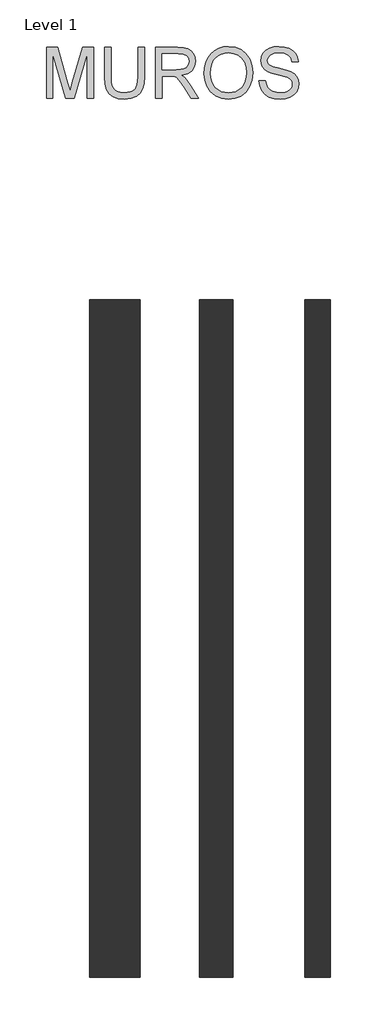
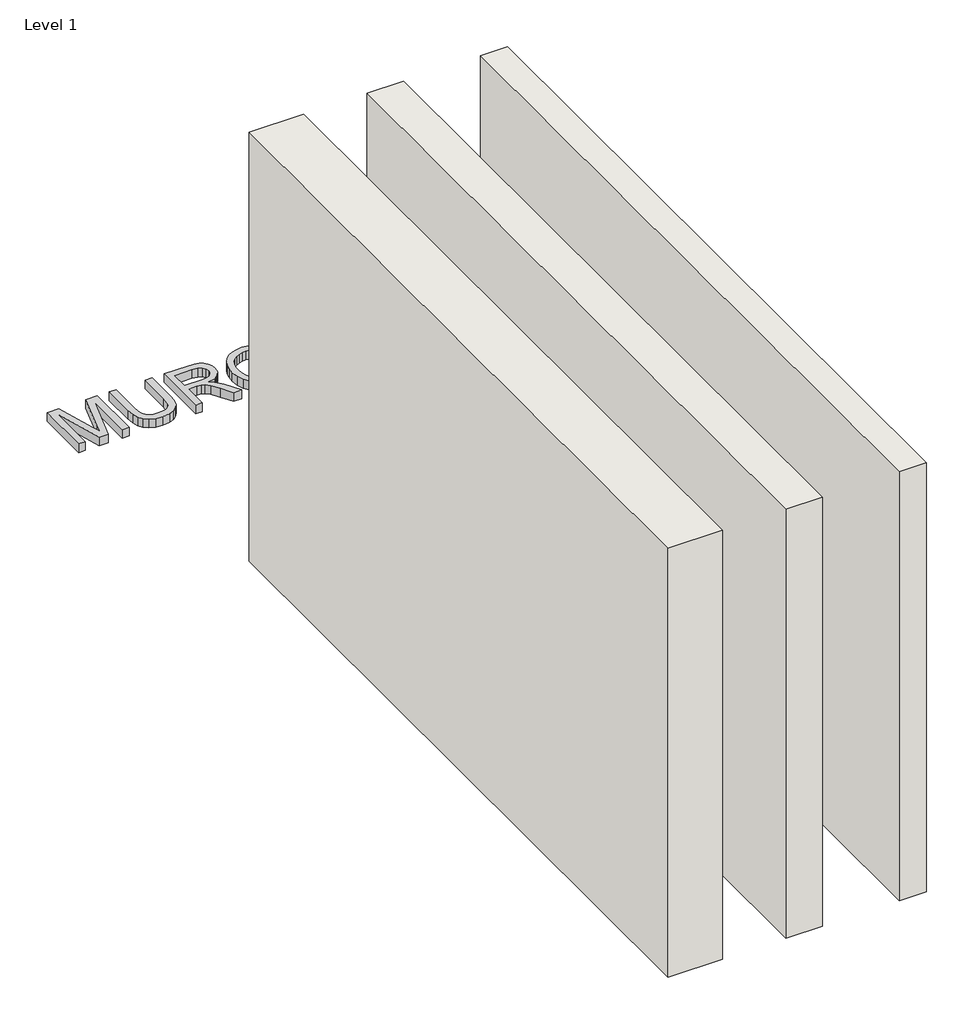
# One storey: 3 walls, 1 proxy.
"""IFC4 building model written with IfcOpenShell, lengths in millimetres."""

from ifc_helpers import new_model, si_unit, origin, origin_with_axes, place, context, project, spatial, polyline, outline, extrude, element, save

model = new_model("IFC4")

# Units and contexts
model_context = context("Model", 3, world=origin())
ifc_project = project(units=[si_unit("LENGTHUNIT", "METRE", prefix="MILLI")], contexts=[model_context])

# Site, building, storey
site = spatial("IfcSite", under=ifc_project)
building = spatial("IfcBuilding", under=site)
storey = spatial("IfcBuildingStorey", under=building, Name="Level 1", Elevation=0.0)

# Proxy
placement = place(None, origin())
element("IfcBuildingElementProxy", 1, Name="Generic Models", at=placement, inside=storey, context=model_context, shape_type="SweptSolid", body=[
    extrude(outline(polyline([(705.7178167, 4943.9931302), (705.7178167, 5245.3620607), (770.5386243, 5245.3620607), (832.1956467, 5032.9469966), (844.6300581, 4988.580428), (858.0945391, 5036.6258166), (918.7214919, 5245.3620607), (983.5422995, 5245.3620607), (983.5422995, 4943.9931302), (945.8711832, 4943.9931302), (945.8711832, 5207.6909443), (870.1610686, 4943.9931302), (819.0990476, 4943.9931302), (743.388933, 5207.6909443), (743.388933, 4943.9931302), (705.7178167, 4943.9931302)])), origin_with_axes(), (0.0, 0.0, 1.0), 50.0),
    extrude(outline(polyline([(1247.2401136, 5245.3620607), (1284.9112299, 5245.3620607), (1284.9112299, 5071.5010297), (1282.3544501, 5030.7856899), (1274.6841105, 4999.4329469), (1260.3551067, 4975.2447057), (1237.8223345, 4956.0228714), (1207.0306115, 4943.4688984), (1167.9247555, 4939.2842407), (1129.674225, 4942.9262724), (1099.0940342, 4953.8523677), (1076.1749859, 4971.6854474), (1060.9078831, 4996.0484325), (1052.3270355, 5028.7255507), (1049.466753, 5071.5010297), (1049.466753, 5245.3620607), (1087.1378693, 5245.3620607), (1087.1378693, 5072.8254049), (1088.9956734, 5038.9710643), (1094.5690856, 5015.3990255), (1104.6674464, 4999.0742619), (1120.1000961, 4986.9617472), (1140.2232412, 4979.4569545), (1164.3930883, 4976.955357), (1202.7079981, 4981.9033698), (1217.0507974, 4988.0883858), (1228.1838263, 4996.7474083), (1236.520952, 5008.9243024), (1242.4760418, 5025.6629331), (1247.2401136, 5072.8254049), (1247.2401136, 5245.3620607)])), origin_with_axes(), (0.0, 0.0, 1.0), 50.0),
    extrude(outline(polyline([(1350.8356835, 4943.9931302), (1350.8356835, 5245.3620607), (1480.6980278, 5245.3620607), (1515.600832, 5243.3295126), (1540.9938868, 5237.2318686), (1559.5535334, 5225.9746795), (1573.9561135, 5208.4634965), (1583.1991487, 5186.7492618), (1586.2801604, 5162.8829173), (1581.1757977, 5133.1948403), (1565.8627096, 5108.5835348), (1554.2629305, 5098.554152), (1539.8810437, 5090.538923), (1502.7709475, 5080.5509268), (1524.1816796, 5064.4376954), (1554.7158852, 5025.6629331), (1604.9685657, 4943.9931302), (1561.1906083, 4943.9931302), (1521.9743876, 5006.459493), (1493.647474, 5047.8094292), (1473.745058, 5067.3439632), (1455.8292049, 5074.5176621), (1433.9770144, 5075.8420373), (1388.5067998, 5075.8420373), (1388.5067998, 4943.9931302), (1350.8356835, 4943.9931302)]), holes=[polyline([(1388.5067998, 5113.5131536), (1472.8253531, 5113.5131536), (1497.0411854, 5114.8467258), (1515.8307583, 5118.8474425), (1529.975821, 5125.7820181), (1540.2581228, 5135.9171671), (1546.5213137, 5148.1768346), (1548.6090441, 5161.4849658), (1544.6267215, 5179.8606714), (1532.6797537, 5194.6679217), (1512.1243472, 5204.4351887), (1482.3167085, 5207.6909443), (1388.5067998, 5207.6909443), (1388.5067998, 5113.5131536)])]), origin_with_axes(), (0.0, 0.0, 1.0), 50.0),
    extrude(outline(polyline([(1638.0779453, 5090.7044699), (1640.5887399, 5126.0533311), (1648.1211238, 5157.3462933), (1660.6750968, 5184.5833565), (1678.2506592, 5207.7645207), (1699.7947485, 5226.2735836), (1724.2543027, 5239.4943428), (1751.6293216, 5247.4267983), (1781.9198054, 5250.0709502), (1821.4487258, 5245.1045433), (1856.894156, 5230.2053225), (1886.3247156, 5206.4217515), (1907.8090242, 5174.802294), (1920.9424114, 5136.8736603), (1925.3202071, 5094.1625606), (1920.7124851, 5050.8812439), (1906.8893192, 5012.4191813), (1884.6140644, 4980.7445415), (1854.6500759, 4957.8254932), (1819.5081483, 4943.9195538), (1781.6990762, 4939.2842407), (1741.5631505, 4944.4069974), (1705.9153852, 4959.7752678), (1676.558402, 4984.0002972), (1655.2948227, 5015.6933311), (1642.3821646, 5052.1596338), (1638.0779453, 5090.7044699)]), holes=[polyline([(1675.7490616, 5090.3365879), (1677.6321576, 5065.3619989), (1683.2814455, 5043.1925102), (1692.6969253, 5023.8281217), (1705.878597, 5007.2688334), (1721.9021572, 4994.0066874), (1739.8433022, 4984.5337261), (1759.7020322, 4978.8499492), (1781.478347, 4976.955357), (1803.6271424, 4978.8683433), (1823.7203971, 4984.6073025), (1841.7581112, 4994.1722343), (1857.7402846, 5007.563139), (1870.8253873, 5024.4719152), (1880.1718893, 5044.5904618), (1885.7797904, 5067.9187788), (1887.6490908, 5094.4568662), (1884.4485175, 5127.8053691), (1874.8467974, 5156.6289234), (1859.0922509, 5180.2009623), (1837.4331985, 5197.7949187), (1811.3043798, 5208.7486051), (1782.1405346, 5212.3998339), (1761.1206771, 5210.6408981), (1741.6183328, 5205.3640907), (1723.6335018, 5196.5694118), (1707.166184, 5184.2568613), (1693.4211929, 5167.8332294), (1683.6033422, 5146.7053066), (1677.7126317, 5120.8730927), (1675.7490616, 5090.3365879)])]), origin_with_axes(), (0.0, 0.0, 1.0), 50.0),
    extrude(outline(polyline([(1962.9913234, 5047.5887), (2000.6624397, 5047.5887), (2004.9850532, 5026.6838057), (2012.8025456, 5009.8807955), (2024.9978337, 4996.5450732), (2042.4538344, 4986.0420423), (2063.7909901, 4979.2270283), (2087.6297434, 4976.955357), (2108.6174112, 4978.6752053), (2126.9931169, 4983.8347503), (2141.8831406, 4992.0017306), (2152.4137628, 5002.7438848), (2158.6769537, 5015.0771287), (2160.764684, 5028.0173779), (2159.2011856, 5040.6265333), (2154.5106901, 5051.5250374), (2144.9825464, 5060.8232548), (2128.9061033, 5068.6315502), (2074.0548978, 5083.0157362), (2038.0484475, 5092.5346828), (2015.0098376, 5101.5937769), (1996.2570528, 5114.2673117), (1982.9673158, 5129.626385), (1975.0486558, 5147.339903), (1972.4091025, 5167.0767721), (1975.6740552, 5189.1404947), (1985.4689133, 5209.7142953), (2001.5361595, 5227.1519019), (2023.6182762, 5239.8070425), (2050.124174, 5247.5049733), (2079.4627631, 5250.0709502), (2111.2477675, 5247.3854116), (2139.0596463, 5239.3287959), (2161.9051182, 5226.06665), (2178.7909018, 5207.7645207), (2189.4778738, 5185.5628423), (2193.7269108, 5160.602049), (2156.0557945, 5160.602049), (2149.139613, 5183.0796389), (2134.7186388, 5199.3032349), (2112.1858666, 5209.1256841), (2080.9342911, 5212.3998339), (2048.9469516, 5209.1624723), (2027.0027906, 5199.4503877), (2014.3108618, 5185.1581721), (2010.0802188, 5168.1804181), (2013.0784571, 5153.7042616), (2022.0731719, 5142.0607964), (2043.3367512, 5131.6497359), (2083.5830415, 5121.0179463), (2125.1169187, 5110.9195855), (2150.243259, 5102.1088117), (2171.7183704, 5088.4419956), (2186.7003647, 5071.5746061), (2195.5019414, 5051.6905843), (2198.4358003, 5028.9738711), (2195.060483, 5005.7513201), (2184.9345311, 4983.9083267), (2168.4718118, 4965.1095567), (2146.0861924, 4951.0196763), (2119.1664274, 4942.2180996), (2089.1012714, 4939.2842407), (2052.1935102, 4942.4480258), (2021.8156545, 4951.9393813), (1997.6182162, 4967.7950953), (1979.2517076, 4990.051956), (1967.4610897, 5017.164859), (1962.9913234, 5047.5887)])), origin_with_axes(), (0.0, 0.0, 1.0), 50.0),
])

# Walls
element("IfcWall", 2, ObjectType="- Muro - 15.0 cm", at=placement, inside=storey, context=model_context, shape_type="SweptSolid", body=[
    extrude(outline(polyline([(2234.5142725, -246.4744898), (2234.5142725, 3753.5255102), (2384.5142725, 3753.5255102), (2384.5142725, -246.4744898), (2234.5142725, -246.4744898)])), origin_with_axes(), (0.0, 0.0, 1.0), 2500.0),
])
element("IfcWall", 3, ObjectType="- Muro - 20.0 cm", at=placement, inside=storey, context=model_context, shape_type="SweptSolid", body=[
    extrude(outline(polyline([(1609.5142725, -246.4744898), (1609.5142725, 3753.5255102), (1809.5142725, 3753.5255102), (1809.5142725, -246.4744898), (1609.5142725, -246.4744898)])), origin_with_axes(), (0.0, 0.0, 1.0), 2500.0),
])
element("IfcWall", 4, ObjectType="- Muro - 30.0 cm", at=placement, inside=storey, context=model_context, shape_type="SweptSolid", body=[
    extrude(outline(polyline([(959.5142725, -246.4744898), (959.5142725, 3753.5255102), (1259.5142725, 3753.5255102), (1259.5142725, -246.4744898), (959.5142725, -246.4744898)])), origin_with_axes(), (0.0, 0.0, 1.0), 2500.0),
])

save(model, "model.ifc")
